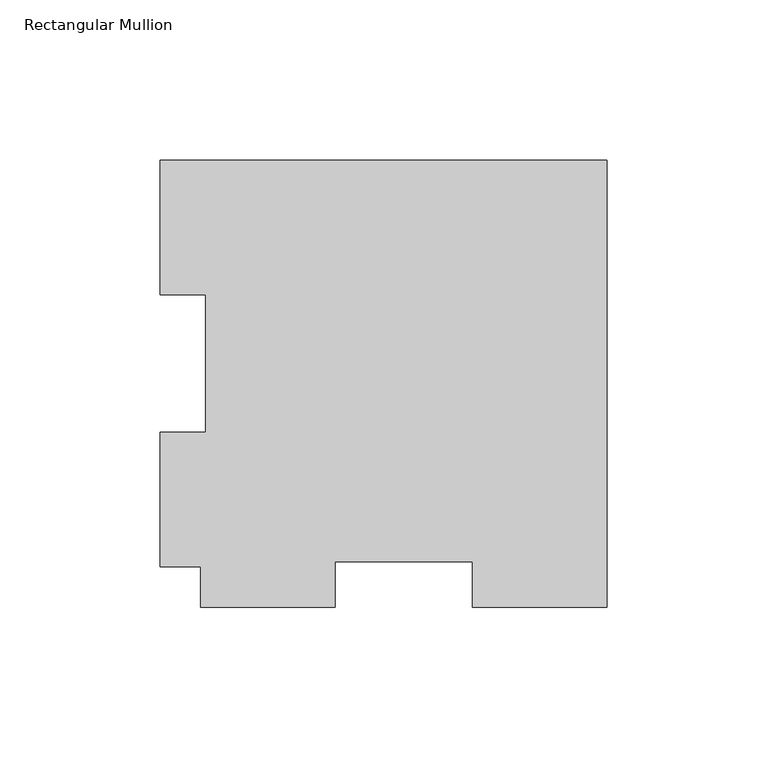
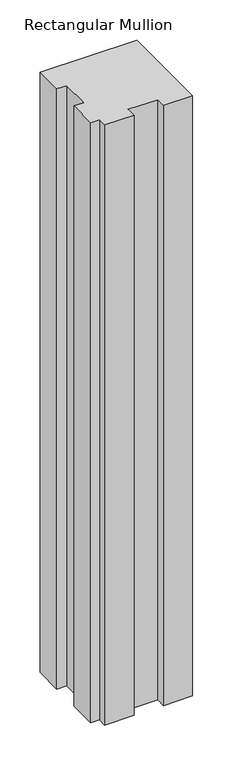
"""IFC4 building model written with IfcOpenShell, lengths in millimetres: member geometry, Rectangular Mullion."""

import ifcopenshell
import ifcopenshell.guid

model = None  # the IFC model being written
_history = None  # IfcOwnerHistory: only IFC2X3 demands one
_inside = {}  # id of a spatial element -> (the spatial element, [elements in it])
_under = {}  # id of a project, library or spatial element -> (it, [spatial elements below it])
_declared = {}  # id of a project -> (the project, [libraries it declares])
_typed = {}  # id of a type object -> (the type object, [elements of that type])
_made_of = {}  # id of a material, layer set ... -> (it, [elements and type objects made of it])


def new_model(schema):
    """Start an empty IFC model of exactly this schema.

    Asked for "IFC4X3", IfcOpenShell would pick the latest addendum, in which some entities
    have other attributes; the version numbers below select the first issue.
    IFC2X3 requires an IfcOwnerHistory on every rooted entity: one is made here for all.
    """
    global model, _history
    if schema == "IFC4X3":
        model = ifcopenshell.file(schema_version=(4, 3, 0, 0))
    else:
        model = ifcopenshell.file(schema=schema)
    _inside.clear()
    _under.clear()
    _declared.clear()
    _typed.clear()
    _made_of.clear()
    _history = None
    if model.schema == "IFC2X3":
        org = make("IfcOrganization", Name="unknown")
        user = make(
            "IfcPersonAndOrganization",
            ThePerson=make("IfcPerson", FamilyName="unknown"),
            TheOrganization=org,
        )
        app = make(
            "IfcApplication",
            ApplicationDeveloper=org,
            Version="unknown",
            ApplicationFullName="unknown",
            ApplicationIdentifier="unknown",
        )
        _history = make(
            "IfcOwnerHistory",
            OwningUser=user,
            OwningApplication=app,
            ChangeAction="ADDED",
            CreationDate=0,
        )
    return model


def make(cls, **values):
    """One entity of the class cls with the attributes given. An attribute that is None is left unset."""
    return model.create_entity(
        cls, **{name: value for name, value in values.items() if value is not None}
    )


def rooted(cls, **values):
    """An entity with a GlobalId (a new one), such as an element, a storey or a relation."""
    return make(cls, GlobalId=ifcopenshell.guid.new(), OwnerHistory=_history, **values)


def si_unit(unit_type, name, prefix=None):
    """IfcSIUnit, for example si_unit("LENGTHUNIT", "METRE", prefix="MILLI")."""
    return make("IfcSIUnit", UnitType=unit_type, Prefix=prefix, Name=name)


def assignment(units):
    """IfcUnitAssignment: the units of a project."""
    return None if units is None else make("IfcUnitAssignment", Units=units)


def point(xyz):
    """IfcCartesianPoint."""
    return None if xyz is None else make("IfcCartesianPoint", Coordinates=xyz)


def direction(xyz):
    """IfcDirection."""
    return None if xyz is None else make("IfcDirection", DirectionRatios=xyz)


def frame(location, z_axis=None, x_axis=None):
    """IfcAxis2Placement3D, a coordinate frame: its origin and axes. An axis left out is left unset."""
    return make(
        "IfcAxis2Placement3D",
        Location=point(location),
        Axis=direction(z_axis),
        RefDirection=direction(x_axis),
    )


def origin():
    """The frame at (0, 0, 0) with its axes left unset."""
    return frame((0.0, 0.0, 0.0))


def place(relative_to, where):
    """IfcLocalPlacement: puts the frame where relative to a parent placement (None: the world)."""
    return make(
        "IfcLocalPlacement", PlacementRelTo=relative_to, RelativePlacement=where
    )


def context(
    kind, dimensions, precision=None, world=None, true_north=None, identifier=None
):
    """IfcGeometricRepresentationContext, for example the 3D "Model" context."""
    return make(
        "IfcGeometricRepresentationContext",
        ContextIdentifier=identifier,
        ContextType=kind,
        CoordinateSpaceDimension=dimensions,
        Precision=precision,
        WorldCoordinateSystem=world,
        TrueNorth=true_north,
    )


def project(units=None, contexts=None):
    """IfcProject with its units and contexts."""
    return rooted(
        "IfcProject",
        Name="project",
        RepresentationContexts=contexts,
        UnitsInContext=assignment(units),
    )


def spatial(cls, under=None, at=None, **own):
    """A site, building, storey or space (cls), placed at a placement, below another one or the project."""
    s = rooted(cls, ObjectPlacement=at, **own)
    if under is not None:
        _under.setdefault(under.id(), (under, []))[1].append(s)
    return s


def polyline(points):
    """IfcPolyline through the points."""
    return make("IfcPolyline", Points=[point(p) for p in points])


def outline(outer, holes=None, kind="AREA"):
    """IfcArbitraryClosedProfileDef: a profile drawn as a closed curve; with holes, ...WithVoids."""
    if holes is None:
        return make("IfcArbitraryClosedProfileDef", ProfileType=kind, OuterCurve=outer)
    return make(
        "IfcArbitraryProfileDefWithVoids",
        ProfileType=kind,
        OuterCurve=outer,
        InnerCurves=holes,
    )


def extrude(swept, where, along, depth):
    """IfcExtrudedAreaSolid: the profile swept, set in the frame where, extruded along a direction by depth."""
    return make(
        "IfcExtrudedAreaSolid",
        SweptArea=swept,
        Position=where,
        ExtrudedDirection=direction(along),
        Depth=depth,
    )


def shape(context_of_items, identifier, shape_type, items):
    """IfcShapeRepresentation: the items that make up one representation, for example the "Body"."""
    return make(
        "IfcShapeRepresentation",
        ContextOfItems=context_of_items,
        RepresentationIdentifier=identifier,
        RepresentationType=shape_type,
        Items=items,
    )


def source(mapping_origin, context_of_items, identifier, shape_type, items):
    """IfcRepresentationMap: a shape defined once, which mapped items show again and again."""
    return make(
        "IfcRepresentationMap",
        MappingOrigin=mapping_origin,
        MappedRepresentation=shape(context_of_items, identifier, shape_type, items),
    )


def transform(
    local_origin,
    x_axis=None,
    y_axis=None,
    z_axis=None,
    scale=None,
    scale2=None,
    scale3=None,
    uniform=True,
):
    """IfcCartesianTransformationOperator3D, or its non-uniform kind. x_axis, y_axis, z_axis: its Axis1, 2, 3."""
    if uniform:
        return make(
            "IfcCartesianTransformationOperator3D",
            Axis1=direction(x_axis),
            Axis2=direction(y_axis),
            LocalOrigin=point(local_origin),
            Scale=scale,
            Axis3=direction(z_axis),
        )
    return make(
        "IfcCartesianTransformationOperator3DnonUniform",
        Axis1=direction(x_axis),
        Axis2=direction(y_axis),
        LocalOrigin=point(local_origin),
        Scale=scale,
        Axis3=direction(z_axis),
        Scale2=scale2,
        Scale3=scale3,
    )


def mapped(mapping_source, mapping_target):
    """IfcMappedItem: shows the shape of a source again, moved by a transform."""
    return make(
        "IfcMappedItem", MappingSource=mapping_source, MappingTarget=mapping_target
    )


def made_of(thing, what):
    """Note that an element or type object is made of a material, layer set ...; save() writes the relation."""
    if what is not None:
        _made_of.setdefault(what.id(), (what, []))[1].append(thing)
    return thing


def element(
    cls,
    number,
    at=None,
    inside=None,
    cuts=None,
    type_object=None,
    material=None,
    context=None,
    identifier="Body",
    shape_type=None,
    held_by="IfcProductDefinitionShape",
    body=None,
    shapes=None,
    **own,
):
    """One element of the class cls, such as IfcWall. Its Tag is "e" and its number.

    at: its placement. inside: the storey or other place that contains it. cuts: it is an
    opening in that element (IfcRelVoidsElement). A single representation is given by context,
    identifier, shape_type and body (its items); several are given by shapes. held_by: the class
    of the entity that holds the representations. save() writes the other relations.
    """
    e = rooted(cls, Tag="e%d" % number, ObjectPlacement=at, **own)
    if body is not None:
        shapes = [shape(context, identifier, shape_type, body)]
    if shapes is not None:
        e.Representation = make(held_by, Representations=shapes)
    if inside is not None:
        _inside.setdefault(inside.id(), (inside, []))[1].append(e)
    if cuts is not None:
        rooted(
            "IfcRelVoidsElement", RelatingBuildingElement=cuts, RelatedOpeningElement=e
        )
    if type_object is not None:
        _typed.setdefault(type_object.id(), (type_object, []))[1].append(e)
    return made_of(e, material)


def aggregate(whole, parts):
    """IfcRelAggregates: a whole, such as a stair, and the parts it consists of."""
    return rooted("IfcRelAggregates", RelatingObject=whole, RelatedObjects=parts)


def save(model, path):
    """Write the relations noted so far, then the file.

    IfcRelAggregates (storeys below a building ...), IfcRelContainedInSpatialStructure (elements
    in a storey), IfcRelDefinesByType, IfcRelAssociatesMaterial and IfcRelDeclares: one each for
    every whole, place, type object, material and project.
    """
    for whole, parts in _under.values():
        aggregate(whole, parts)
    for where, things in _inside.values():
        rooted(
            "IfcRelContainedInSpatialStructure",
            RelatedElements=things,
            RelatingStructure=where,
        )
    for kind, things in _typed.values():
        rooted("IfcRelDefinesByType", RelatedObjects=things, RelatingType=kind)
    for what, things in _made_of.values():
        rooted("IfcRelAssociatesMaterial", RelatedObjects=things, RelatingMaterial=what)
    for by, libraries in _declared.values():
        rooted("IfcRelDeclares", RelatingContext=by, RelatedDefinitions=libraries)
    model.write(path)


def rectangular_mullion_2792529f(model_context):
    return source(origin(), model_context, "Body", "SweptSolid", [
        extrude(outline(polyline([(-139.7, 127.00635), (0.0, 127.00635), (0.0, -12.69365), (-42.0751, -12.69365), (-42.0751, 1.59385), (-84.9249, 1.59385), (-84.9249, -12.69365), (-127.0, -12.69365), (-127.0, 0.00635), (-139.7, 0.00635), (-139.7, 42.08145), (-125.4125, 42.08145), (-125.4125, 84.93125), (-139.7, 84.93125), (-139.7, 127.00635)])), frame((0.0, 0.0, -914.4), z_axis=(0.0, 0.0, 1.0), x_axis=(1.0, 0.0, 0.0)), (0.0, 0.0, 1.0), 914.4),
    ])


if __name__ == "__main__":
    model = new_model("IFC4")
    model_context = context("Model", 3, world=origin())
    ifc_project = project(units=[si_unit("LENGTHUNIT", "METRE", prefix="MILLI")], contexts=[model_context])
    site = spatial("IfcSite", under=ifc_project)
    building = spatial("IfcBuilding", under=site)
    placement = place(None, origin())
    rectangular_mullion_shape = rectangular_mullion_2792529f(model_context)
    element("IfcMember", 1, ObjectType="Rectangular Mullion", at=placement, inside=building, context=model_context, shape_type="MappedRepresentation", body=[
        mapped(rectangular_mullion_shape, transform((0.0, 0.0, 0.0), x_axis=(1.0, 0.0, 0.0), y_axis=(0.0, 1.0, 0.0), z_axis=(0.0, 0.0, 1.0))),
    ])
    save(model, "model.ifc")
